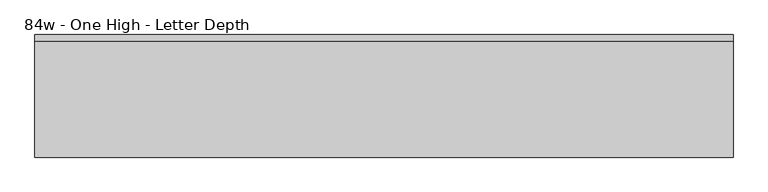
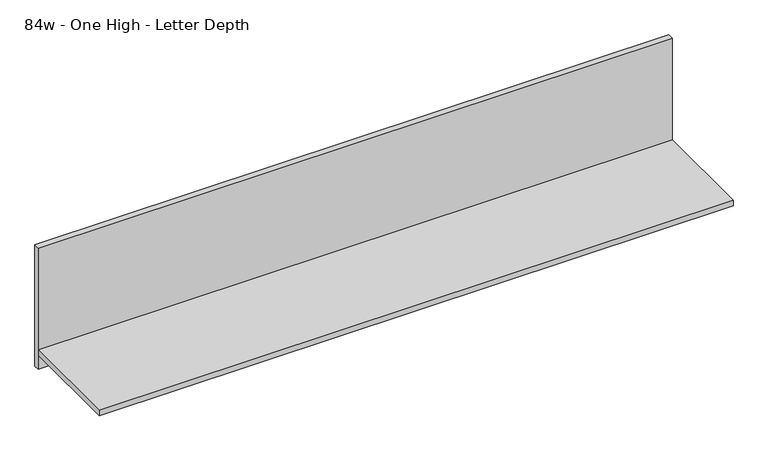
"""IFC4 building model written with IfcOpenShell, lengths in millimetres: furniture geometry, 84w - One High - Letter Depth."""

from ifc_helpers import new_model, si_unit, frame, origin, place, context, project, spatial, polyline, outline, extrude, source, transform, mapped, element, save


def furniture_84w_one_high_letter_depth_b618c278(model_context):
    return source(origin(), model_context, "Body", "SweptSolid", [
        extrude(outline(polyline([(1069.2402902, -30.4843594), (-1064.3597098, -30.4843594), (-1064.3597098, -11.4343594), (1069.2402902, -11.4343594), (1069.2402902, -30.4843594)])), frame((0.0, 0.0, 762.0), z_axis=(0.0, 0.0, 1.0), x_axis=(1.0, 0.0, 0.0)), (0.0, 0.0, 1.0), 431.8),
        extrude(outline(polyline([(-1064.3597098, -386.0843594), (-1064.3597098, -30.4843594), (1069.2402902, -30.4843594), (1069.2402902, -386.0843594), (-1064.3597098, -386.0843594)])), frame((0.0, 0.0, 812.8), z_axis=(0.0, 0.0, 1.0), x_axis=(1.0, 0.0, 0.0)), (0.0, 0.0, 1.0), 19.05),
    ])


if __name__ == "__main__":
    model = new_model("IFC4")
    model_context = context("Model", 3, world=origin())
    ifc_project = project(units=[si_unit("LENGTHUNIT", "METRE", prefix="MILLI")], contexts=[model_context])
    site = spatial("IfcSite", under=ifc_project)
    building = spatial("IfcBuilding", under=site)
    placement = place(None, origin())
    furniture_84w_one_high_letter_depth_shape = furniture_84w_one_high_letter_depth_b618c278(model_context)
    element("IfcFurniture", 1, ObjectType="84w - One High - Letter Depth", at=placement, inside=building, context=model_context, shape_type="MappedRepresentation", body=[
        mapped(furniture_84w_one_high_letter_depth_shape, transform((0.0, 0.0, 0.0), x_axis=(1.0, 0.0, 0.0), y_axis=(0.0, 1.0, 0.0), z_axis=(0.0, 0.0, 1.0))),
    ])
    save(model, "model.ifc")
